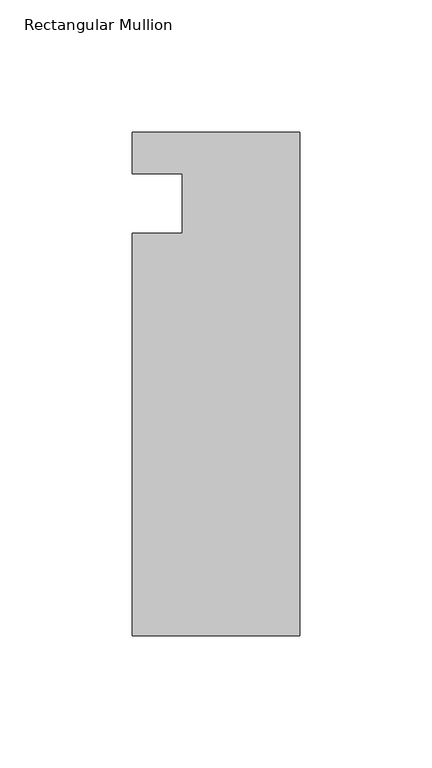
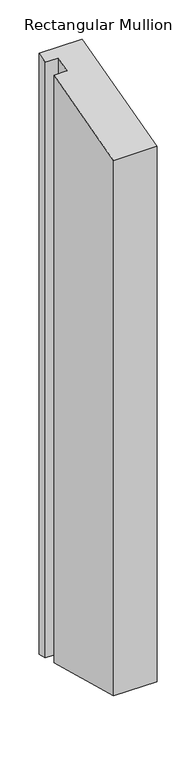
"""IFC4 building model written with IfcOpenShell, lengths in millimetres: member geometry, Rectangular Mullion."""

from ifc_helpers import new_model, si_unit, origin, place, context, project, spatial, faceted_brep, source, transform, mapped, element, save


def rectangular_mullion_42d6070e(model_context):
    return source(origin(), model_context, "Body", "Brep", [
        faceted_brep([(-198.4248, 4.9172812, 1.3175815), (-198.4248, 20.7668812, 5.5644691), (-198.4248, 20.7668812, -930.0041027), (-198.4248, 4.9172812, -925.7572152), (-179.3748, 4.9172813, 1.3175815), (-179.3748, 4.9172813, -925.7572152), (-179.3748, -17.5617188, -4.7056484), (-179.3748, -17.5617188, -919.7339853), (-198.4248, -17.5617188, -4.7056484), (-198.4248, -17.5617188, -919.7339853), (-198.4248, -169.9617188, -45.5411053), (-198.4248, -169.9617188, -878.8985284), (-134.9248, -169.9617188, -45.5411053), (-134.9248, -169.9617188, -878.8985284), (-134.9248, 20.7668813, 5.5644691), (-134.9248, 20.7668813, -930.0041027)], [[[0, 1, 2, 3]], [[4, 0, 3, 5]], [[6, 4, 5, 7]], [[8, 6, 7, 9]], [[10, 8, 9, 11]], [[12, 10, 11, 13]], [[14, 12, 13, 15]], [[1, 14, 15, 2]], [[1, 0, 4, 6, 8, 10, 12, 14]], [[2, 15, 13, 11, 9, 7, 5, 3]]]),
    ])


if __name__ == "__main__":
    model = new_model("IFC4")
    model_context = context("Model", 3, world=origin())
    ifc_project = project(units=[si_unit("LENGTHUNIT", "METRE", prefix="MILLI")], contexts=[model_context])
    site = spatial("IfcSite", under=ifc_project)
    building = spatial("IfcBuilding", under=site)
    placement = place(None, origin())
    rectangular_mullion_shape = rectangular_mullion_42d6070e(model_context)
    element("IfcMember", 1, ObjectType="Rectangular Mullion", at=placement, inside=building, context=model_context, shape_type="MappedRepresentation", body=[
        mapped(rectangular_mullion_shape, transform((0.0, 0.0, 0.0), x_axis=(1.0, 0.0, 0.0), y_axis=(0.0, 1.0, 0.0), z_axis=(0.0, 0.0, 1.0))),
    ])
    save(model, "model.ifc")
